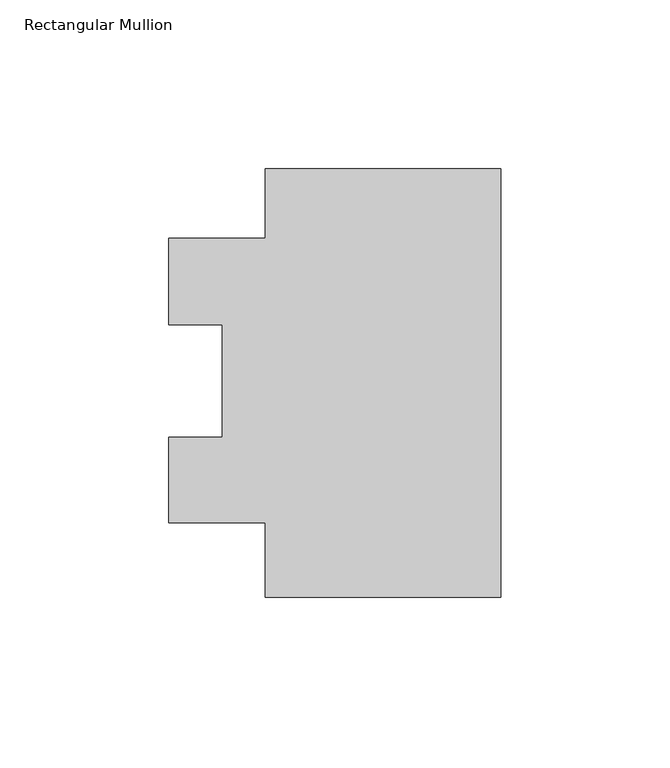
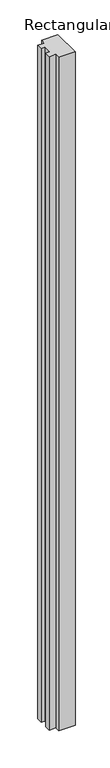
"""IFC4 building model written with IfcOpenShell, lengths in millimetres: member geometry, Rectangular Mullion."""

from ifc_helpers import new_model, si_unit, frame, origin, place, context, project, spatial, polyline, outline, extrude, source, transform, mapped, element, save


def rectangular_mullion_7d367575(model_context):
    return source(origin(), model_context, "Body", "SweptSolid", [
        extrude(outline(polyline([(0.0, -64.30197), (-69.85, -64.30197), (-69.85, -42.17857), (-98.425, -42.17857), (-98.425, -16.8479013), (-82.55, -16.8479013), (-82.55, 16.51512), (-98.425, 16.51512), (-98.425, 42.14943), (-69.85, 42.14943), (-69.85, 62.69803), (0.0, 62.69803), (0.0, -64.30197)])), frame((0.0, 0.0, -3048.0), z_axis=(0.0, 0.0, 1.0), x_axis=(1.0, 0.0, 0.0)), (0.0, 0.0, 1.0), 3048.0),
    ])


if __name__ == "__main__":
    model = new_model("IFC4")
    model_context = context("Model", 3, world=origin())
    ifc_project = project(units=[si_unit("LENGTHUNIT", "METRE", prefix="MILLI")], contexts=[model_context])
    site = spatial("IfcSite", under=ifc_project)
    building = spatial("IfcBuilding", under=site)
    placement = place(None, origin())
    rectangular_mullion_shape = rectangular_mullion_7d367575(model_context)
    element("IfcMember", 1, ObjectType="Rectangular Mullion", at=placement, inside=building, context=model_context, shape_type="MappedRepresentation", body=[
        mapped(rectangular_mullion_shape, transform((0.0, 0.0, 0.0), x_axis=(1.0, 0.0, 0.0), y_axis=(0.0, 1.0, 0.0), z_axis=(0.0, 0.0, 1.0))),
    ])
    save(model, "model.ifc")
